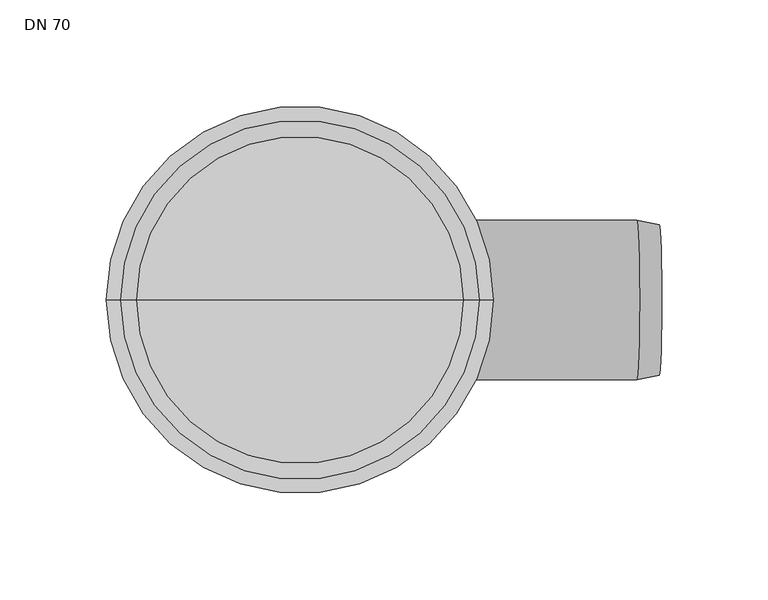
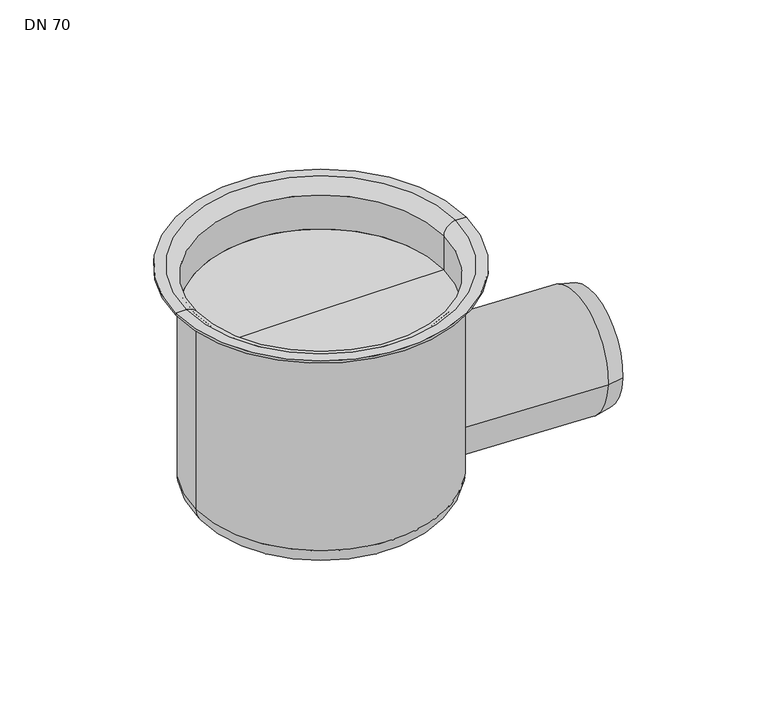
"""IFC4 building model written with IfcOpenShell, lengths in millimetres: flow terminal geometry, DN 70."""

from ifc_helpers import new_model, si_unit, point, frame, origin, place, context, project, spatial, polyline, circle_curve, ellipse_curve, trimmed, source, transform, mapped, element, save
from ifc_brep_helpers import plane_surface, cylinder_surface, revolved_surface, advanced_brep


def dn_70_c0f2ce07(model_context):
    return source(origin(), model_context, "Body", "AdvancedBrep", [
        advanced_brep(
        [(-78.5, 0.0, -184.7707899), (78.5, 0.0, -184.7707899), (66.3489424, 0.0, -196.9218475), (-66.3489424, 0.0, -196.9218475), (-78.5, 0.0, -57.5), (78.5, 0.0, -57.5), (-84.5, 0.0, -50.0), (84.5, 0.0, -50.0), (91.0, 0.0, -50.0), (-91.0, 0.0, -50.0), (0.0, 0.0, -196.9218475), (-84.5, 0.0, -51.5), (84.5, 0.0, -51.5), (-91.0, 0.0, -51.5), (91.0, 0.0, -51.5), (-77.0, 0.0, -57.5), (77.0, 0.0, -57.5), (-77.0, 0.0, -80.0), (77.0, 0.0, -80.0), (0.0, 0.0, -80.0)],
        [
            (0, 1, circle_curve(frame((0.0, 0.0, -184.7707899), z_axis=(0.0, 0.0, -1.0), x_axis=(1.0, 0.0, 0.0)), 78.5)),
            (1, 2, circle_curve(frame((66.3489424, 0.0, -184.7707899), z_axis=(0.0, 1.0, 0.0), x_axis=(1.0, 0.0, 0.0)), 12.1510576)),
            (2, 3, circle_curve(frame((0.0, 0.0, -196.9218475), z_axis=(0.0, 0.0, 1.0), x_axis=(1.0, 0.0, 0.0)), 66.3489424)),
            (3, 0, circle_curve(frame((-66.3489424, 0.0, -184.7707899), z_axis=(0.0, 1.0, 0.0), x_axis=(-1.0, 0.0, 0.0)), 12.1510576)),
            (1, 0, circle_curve(frame((0.0, 0.0, -184.7707899), z_axis=(0.0, 0.0, -1.0), x_axis=(1.0, 0.0, 0.0)), 78.5)),
            (3, 2, circle_curve(frame((0.0, 0.0, -196.9218475), z_axis=(0.0, 0.0, 1.0), x_axis=(1.0, 0.0, 0.0)), 66.3489424)),
            (4, 5, circle_curve(frame((0.0, 0.0, -57.5), z_axis=(0.0, 0.0, -1.0), x_axis=(1.0, 0.0, 0.0)), 78.5)),
            (5, 1),
            (0, 4),
            (5, 4, circle_curve(frame((0.0, 0.0, -57.5), z_axis=(0.0, 0.0, -1.0), x_axis=(1.0, 0.0, 0.0)), 78.5)),
            (6, 7, circle_curve(frame((0.0, 0.0, -50.0), z_axis=(0.0, 0.0, -1.0), x_axis=(1.0, 0.0, 0.0)), 84.5)),
            (7, 8),
            (8, 9, circle_curve(frame((0.0, 0.0, -50.0), z_axis=(0.0, 0.0, 1.0), x_axis=(1.0, 0.0, 0.0)), 91.0)),
            (9, 6),
            (7, 6, circle_curve(frame((0.0, 0.0, -50.0), z_axis=(0.0, 0.0, -1.0), x_axis=(1.0, 0.0, 0.0)), 84.5)),
            (9, 8, circle_curve(frame((0.0, 0.0, -50.0), z_axis=(0.0, 0.0, 1.0), x_axis=(1.0, 0.0, 0.0)), 91.0)),
            (2, 10),
            (10, 3),
            (11, 12, circle_curve(frame((0.0, 0.0, -51.5), z_axis=(0.0, 0.0, -1.0), x_axis=(1.0, 0.0, 0.0)), 84.5)),
            (12, 5, circle_curve(frame((84.5, 0.0, -57.5), z_axis=(0.0, -1.0, 0.0), x_axis=(1.0, 0.0, 0.0)), 6.0)),
            (4, 11, circle_curve(frame((-84.5, 0.0, -57.5), z_axis=(0.0, -1.0, 0.0), x_axis=(-1.0, 0.0, 0.0)), 6.0)),
            (12, 11, circle_curve(frame((0.0, 0.0, -51.5), z_axis=(0.0, 0.0, -1.0), x_axis=(1.0, 0.0, 0.0)), 84.5)),
            (13, 14, circle_curve(frame((0.0, 0.0, -51.5), z_axis=(0.0, 0.0, -1.0), x_axis=(1.0, 0.0, 0.0)), 91.0)),
            (14, 12),
            (11, 13),
            (14, 13, circle_curve(frame((0.0, 0.0, -51.5), z_axis=(0.0, 0.0, -1.0), x_axis=(1.0, 0.0, 0.0)), 91.0)),
            (8, 14),
            (13, 9),
            (15, 16, circle_curve(frame((0.0, 0.0, -57.5), z_axis=(0.0, 0.0, -1.0), x_axis=(1.0, 0.0, 0.0)), 77.0)),
            (16, 7, circle_curve(frame((84.5, 0.0, -57.5), z_axis=(0.0, 1.0, 0.0), x_axis=(1.0, 0.0, 0.0)), 7.5)),
            (6, 15, circle_curve(frame((-84.5, 0.0, -57.5), z_axis=(0.0, 1.0, 0.0), x_axis=(-1.0, 0.0, 0.0)), 7.5)),
            (16, 15, circle_curve(frame((0.0, 0.0, -57.5), z_axis=(0.0, 0.0, -1.0), x_axis=(1.0, 0.0, 0.0)), 77.0)),
            (17, 18, circle_curve(frame((0.0, 0.0, -80.0), z_axis=(0.0, 0.0, -1.0), x_axis=(1.0, 0.0, 0.0)), 77.0)),
            (18, 16),
            (15, 17),
            (18, 17, circle_curve(frame((0.0, 0.0, -80.0), z_axis=(0.0, 0.0, -1.0), x_axis=(1.0, 0.0, 0.0)), 77.0)),
            (19, 18),
            (17, 19),
        ],
        [
            revolved_surface(trimmed(ellipse_curve(frame((66.3489424, 0.0, -184.7707899), z_axis=(0.0, -1.0, 0.0), x_axis=(1.0, 0.0, 0.0)), 12.1510576, 12.1510576), [point((66.3489424, 0.0, -196.9218475))], [point((78.5, 0.0, -184.7707899))], True, "CARTESIAN"), (0.0, 0.0, -49.0), (0.0, 0.0, 1.0)),
            cylinder_surface(frame((0.0, 0.0, -49.0), z_axis=(0.0, 0.0, 1.0), x_axis=(1.0, 0.0, 0.0)), 78.5),
            plane_surface(frame((0.0, 0.0, -50.0), z_axis=(0.0, 0.0, 1.0), x_axis=(1.0, 0.0, 0.0))),
            plane_surface(frame((0.0, 0.0, -196.9218475), z_axis=(0.0, 0.0, -1.0), x_axis=(1.0, 0.0, 0.0))),
            revolved_surface(trimmed(ellipse_curve(frame((84.5, 0.0, -57.5), z_axis=(0.0, 1.0, 0.0), x_axis=(1.0, 0.0, 0.0)), 6.0, 6.0), [point((78.5, 0.0, -57.5))], [point((84.5, 0.0, -51.5))], True, "CARTESIAN"), (0.0, 0.0, -49.0), (0.0, 0.0, 1.0)),
            plane_surface(frame((0.0, 0.0, -51.5), z_axis=(0.0, 0.0, -1.0), x_axis=(1.0, 0.0, 0.0))),
            cylinder_surface(frame((0.0, 0.0, -49.0), z_axis=(0.0, 0.0, 1.0), x_axis=(1.0, 0.0, 0.0)), 91.0),
            revolved_surface(trimmed(ellipse_curve(frame((84.5, 0.0, -57.5), z_axis=(0.0, -1.0, 0.0), x_axis=(1.0, 0.0, 0.0)), 7.5, 7.5), [point((84.5, 0.0, -50.0))], [point((77.0, 0.0, -57.5))], True, "CARTESIAN"), (0.0, 0.0, -49.0), (0.0, 0.0, 1.0)),
            revolved_surface(polyline([(77.0, 0.0, -57.5), (77.0, 0.0, -80.0)]), (0.0, 0.0, -49.0), (0.0, 0.0, 1.0)),
            plane_surface(frame((0.0, 0.0, -80.0), z_axis=(0.0, 0.0, 1.0), x_axis=(1.0, 0.0, 0.0))),
        ],
        [
            (0, [[1, 2, 3, 4]]),
            (0, [[5, -4, 6, -2]]),
            (1, [[7, 8, -1, 9]]),
            (1, [[10, -9, -5, -8]]),
            (2, [[11, 12, 13, 14]]),
            (2, [[15, -14, 16, -12]]),
            (3, [[-3, 17, 18]]),
            (3, [[-6, -18, -17]]),
            (4, [[19, 20, -7, 21]]),
            (4, [[22, -21, -10, -20]]),
            (5, [[23, 24, -19, 25]]),
            (5, [[26, -25, -22, -24]]),
            (6, [[-13, 27, -23, 28]]),
            (6, [[-16, -28, -26, -27]]),
            (7, [[29, 30, -11, 31]]),
            (7, [[32, -31, -15, -30]]),
            (8, [[33, 34, -29, 35]]),
            (8, [[36, -35, -32, -34]]),
            (9, [[37, -33, 38]]),
            (9, [[-38, -36, -37]]),
        ],
    ),
        advanced_brep(
        [(168.8970498, -35.3503347, -162.5980149), (168.8970498, 35.3503347, -162.5980149), (168.8970498, 34.2901902, -162.5980149), (168.8970498, -34.2901902, -162.5980149), (68.9579671, -37.5, -159.1080653), (68.9579671, 37.5, -159.1080653), (158.4028249, 37.5, -162.2315485), (158.4028249, -37.5, -162.2315485), (0.0, 0.0, -156.7), (0.0, 35.0, -156.7), (0.0, -35.0, -156.7), (66.6129139, -35.0, -159.0261742), (66.6129139, 35.0, -159.0261742), (89.2018733, -34.2901902, -159.8149981), (89.2018733, 34.2901902, -159.8149981), (89.2018733, 0.0, -159.8149981)],
        [
            (0, 1, circle_curve(frame((168.8970498, 0.0, -162.5980149), z_axis=(0.9993908270190955, 0.0, -0.034899496702509684), x_axis=(0.0, 1.0000000000000002, 0.0)), 35.3503347)),
            (1, 2),
            (2, 3, circle_curve(frame((168.8970498, 0.0, -162.5980149), z_axis=(-0.9993908270190955, 0.0, 0.034899496702509684), x_axis=(0.0, 1.0000000000000002, 0.0)), 34.2901902)),
            (3, 0),
            (1, 0, circle_curve(frame((168.8970498, 0.0, -162.5980149), z_axis=(0.9993908270190955, 0.0, -0.034899496702509684), x_axis=(0.0, 1.0000000000000002, 0.0)), 35.3503347)),
            (3, 2, circle_curve(frame((168.8970498, 0.0, -162.5980149), z_axis=(-0.9993908270190955, 0.0, 0.034899496702509684), x_axis=(0.0, 1.0000000000000002, 0.0)), 34.2901902)),
            (4, 5, circle_curve(frame((68.9579671, 0.0, -159.1080653), z_axis=(0.9993908270190955, 0.0, -0.034899496702509684), x_axis=(0.0, 1.0000000000000002, 0.0)), 37.5)),
            (5, 6),
            (6, 7, circle_curve(frame((158.4028249, 0.0, -162.2315485), z_axis=(-0.9993908270190955, 0.0, 0.034899496702509684), x_axis=(0.0, 1.0000000000000002, 0.0)), 37.5)),
            (7, 4),
            (5, 4, circle_curve(frame((68.9579671, 0.0, -159.1080653), z_axis=(0.9993908270190955, 0.0, -0.034899496702509684), x_axis=(0.0, 1.0000000000000002, 0.0)), 37.5)),
            (7, 6, circle_curve(frame((158.4028249, 0.0, -162.2315485), z_axis=(-0.9993908270190955, 0.0, 0.034899496702509684), x_axis=(0.0, 1.0000000000000002, 0.0)), 37.5)),
            (8, 9),
            (9, 10, circle_curve(frame((0.0, 0.0, -156.7), z_axis=(-0.9993908270190955, 0.0, 0.034899496702509684), x_axis=(0.0, 1.0000000000000002, 0.0)), 35.0)),
            (10, 8),
            (10, 9, circle_curve(frame((0.0, 0.0, -156.7), z_axis=(-0.9993908270190955, 0.0, 0.034899496702509684), x_axis=(0.0, 1.0000000000000002, 0.0)), 35.0)),
            (11, 12, circle_curve(frame((66.6129139, 0.0, -159.0261742), z_axis=(0.9993908270190955, 0.0, -0.034899496702509684), x_axis=(0.0, 1.0000000000000002, 0.0)), 35.0)),
            (12, 5),
            (4, 11),
            (12, 11, circle_curve(frame((66.6129139, 0.0, -159.0261742), z_axis=(0.9993908270190955, 0.0, -0.034899496702509684), x_axis=(0.0, 1.0000000000000002, 0.0)), 35.0)),
            (9, 12),
            (11, 10),
            (6, 1),
            (0, 7),
            (13, 14, circle_curve(frame((89.2018733, 0.0, -159.8149981), z_axis=(0.9993908270190955, 0.0, -0.034899496702509684), x_axis=(0.0, 1.0000000000000002, 0.0)), 34.2901902)),
            (14, 15),
            (15, 13),
            (14, 13, circle_curve(frame((89.2018733, 0.0, -159.8149981), z_axis=(0.9993908270190955, 0.0, -0.034899496702509684), x_axis=(0.0, 1.0000000000000002, 0.0)), 34.2901902)),
            (2, 14),
            (13, 3),
        ],
        [
            plane_surface(frame((168.8970498, 0.0, -162.5980149), z_axis=(0.9993908270190954, 0.0, -0.0348994967025098), x_axis=(0.0, 1.0, 0.0))),
            cylinder_surface(frame((0.0, 0.0, -156.7), z_axis=(-0.9993908270190955, 0.0, 0.034899496702509684), x_axis=(0.0, 1.0000000000000002, 0.0)), 37.5),
            plane_surface(frame((0.0, 0.0, -156.7), z_axis=(-0.9993908270190954, 0.0, 0.0348994967025098), x_axis=(0.0, 1.0, 0.0))),
            revolved_surface(polyline([(68.9579671, 37.5, -159.1080653), (66.6129139, 35.0, -159.0261742)]), (0.0, 0.0, -156.7), (-0.9993908270190955, 0.0, 0.034899496702509684)),
            cylinder_surface(frame((0.0, 0.0, -156.7), z_axis=(-0.9993908270190955, 0.0, 0.034899496702509684), x_axis=(0.0, 1.0000000000000002, 0.0)), 35.0),
            revolved_surface(polyline([(168.8970498, 35.3503347, -162.5980149), (158.4028249, 37.5, -162.2315485)]), (0.0, 0.0, -156.7), (-0.9993908270190955, 0.0, 0.034899496702509684)),
            plane_surface(frame((89.2018733, 0.0, -159.8149981), z_axis=(0.9993908270190954, 0.0, -0.0348994967025098), x_axis=(0.0, 1.0, 0.0))),
            revolved_surface(polyline([(89.20187330154366, 34.290190200000005, -159.81499805579605), (168.89704979846874, 34.290190200000005, -162.59801494385002)]), (0.0, 0.0, -156.7), (-0.9993908270190955, 0.0, 0.034899496702509684)),
        ],
        [
            (0, [[1, 2, 3, 4]]),
            (0, [[5, -4, 6, -2]]),
            (1, [[7, 8, 9, 10]]),
            (1, [[11, -10, 12, -8]]),
            (2, [[13, 14, 15]]),
            (2, [[-15, 16, -13]]),
            (3, [[17, 18, -7, 19]]),
            (3, [[20, -19, -11, -18]]),
            (4, [[-14, 21, -17, 22]]),
            (4, [[-16, -22, -20, -21]]),
            (5, [[-9, 23, -1, 24]]),
            (5, [[-12, -24, -5, -23]]),
            (6, [[25, 26, 27]]),
            (6, [[28, -27, -26]]),
            (7, [[-3, 29, -25, 30]]),
            (7, [[-6, -30, -28, -29]]),
        ],
    ),
    ])


if __name__ == "__main__":
    model = new_model("IFC4")
    model_context = context("Model", 3, world=origin())
    ifc_project = project(units=[si_unit("LENGTHUNIT", "METRE", prefix="MILLI")], contexts=[model_context])
    site = spatial("IfcSite", under=ifc_project)
    building = spatial("IfcBuilding", under=site)
    placement = place(None, origin())
    dn_70_shape = dn_70_c0f2ce07(model_context)
    element("IfcFlowTerminal", 1, ObjectType="DN 70", at=placement, inside=building, context=model_context, shape_type="MappedRepresentation", body=[
        mapped(dn_70_shape, transform((0.0, 0.0, 0.0), x_axis=(1.0, 0.0, 0.0), y_axis=(0.0, 1.0, 0.0), z_axis=(0.0, 0.0, 1.0))),
    ])
    save(model, "model.ifc")
